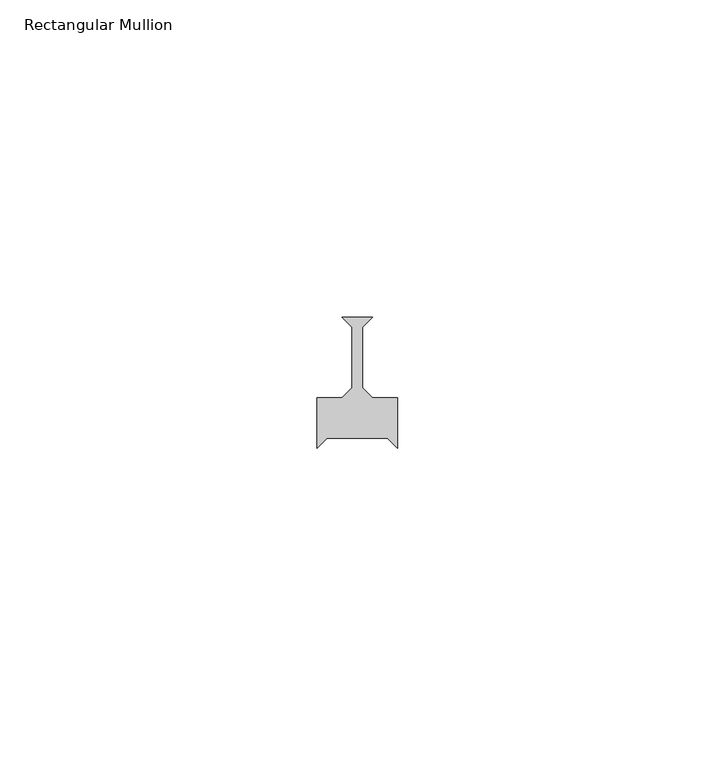
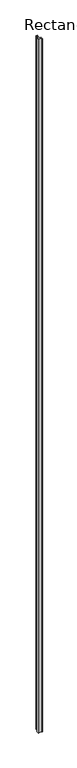
"""IFC4 building model written with IfcOpenShell, lengths in millimetres: member geometry, Rectangular Mullion."""

from ifc_helpers import new_model, si_unit, frame, origin, place, context, project, spatial, polyline, outline, extrude, source, transform, mapped, element, save


def rectangular_mullion_f50fcc4c(model_context):
    return source(origin(), model_context, "Body", "SweptSolid", [
        extrude(outline(polyline([(-2.38125, 6.35), (2.38125, 6.35), (0.79375, 4.7625), (0.79375, -4.7625), (2.38125, -6.35), (6.35, -6.35), (6.35, -14.2875), (4.7625, -12.7), (-4.7625, -12.7), (-6.35, -14.2875), (-6.35, -6.35), (-2.38125, -6.35), (-0.79375, -4.7625), (-0.79375, 4.7625), (-2.38125, 6.35)])), frame((0.0, 0.0, -2359.025), z_axis=(0.0, 0.0, 1.0), x_axis=(1.0, 0.0, 0.0)), (0.0, 0.0, 1.0), 2359.025),
    ])


if __name__ == "__main__":
    model = new_model("IFC4")
    model_context = context("Model", 3, world=origin())
    ifc_project = project(units=[si_unit("LENGTHUNIT", "METRE", prefix="MILLI")], contexts=[model_context])
    site = spatial("IfcSite", under=ifc_project)
    building = spatial("IfcBuilding", under=site)
    placement = place(None, origin())
    rectangular_mullion_shape = rectangular_mullion_f50fcc4c(model_context)
    element("IfcMember", 1, ObjectType="Rectangular Mullion", at=placement, inside=building, context=model_context, shape_type="MappedRepresentation", body=[
        mapped(rectangular_mullion_shape, transform((0.0, 0.0, 0.0), x_axis=(1.0, 0.0, 0.0), y_axis=(0.0, 1.0, 0.0), z_axis=(0.0, 0.0, 1.0))),
    ])
    save(model, "model.ifc")
